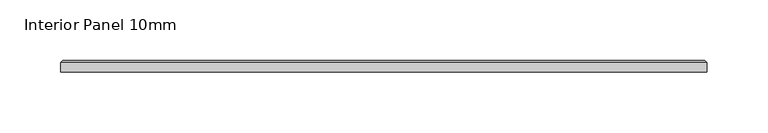
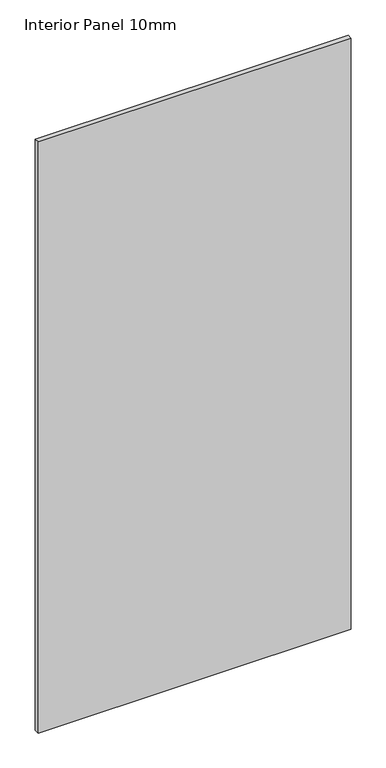
"""IFC4 building model written with IfcOpenShell, lengths in millimetres: proxy geometry, Interior Panel 10mm."""

from ifc_helpers import new_model, si_unit, origin, place, context, project, spatial, faceted_brep, source, transform, mapped, element, save


def interior_panel_10mm_0ddd2b66(model_context):
    return source(origin(), model_context, "Body", "Brep", [
        faceted_brep([(459.6804688, -3.175, 1063.625), (459.6804688, 4.7625, 1063.625), (-73.025, 4.7625, 1063.625), (-73.025, -3.175, 1063.625), (459.6804688, -3.175, 0.0), (-73.025, -3.175, 0.0), (-73.025, 4.7625, 0.0), (459.6804688, 4.7625, 0.0), (-71.4375, 6.35, 1062.0375), (458.0929688, 6.35, 1062.0375), (458.0929688, 6.35, 1.5875), (-71.4375, 6.35, 1.5875)], [[[0, 1, 2, 3]], [[4, 5, 6, 7]], [[3, 5, 4, 0]], [[2, 6, 5, 3]], [[8, 9, 10, 11]], [[0, 4, 7, 1]], [[2, 8, 11, 6]], [[7, 10, 9, 1]], [[1, 9, 8, 2]], [[6, 11, 10, 7]]]),
    ])


if __name__ == "__main__":
    model = new_model("IFC4")
    model_context = context("Model", 3, world=origin())
    ifc_project = project(units=[si_unit("LENGTHUNIT", "METRE", prefix="MILLI")], contexts=[model_context])
    site = spatial("IfcSite", under=ifc_project)
    building = spatial("IfcBuilding", under=site)
    placement = place(None, origin())
    interior_panel_10mm_shape = interior_panel_10mm_0ddd2b66(model_context)
    element("IfcBuildingElementProxy", 1, Name="Interior Panel 10mm", ObjectType="Interior Panel 10mm", at=placement, inside=building, context=model_context, shape_type="MappedRepresentation", body=[
        mapped(interior_panel_10mm_shape, transform((0.0, 0.0, 0.0), x_axis=(1.0, 0.0, 0.0), y_axis=(0.0, 1.0, 0.0), z_axis=(0.0, 0.0, 1.0))),
    ])
    save(model, "model.ifc")
